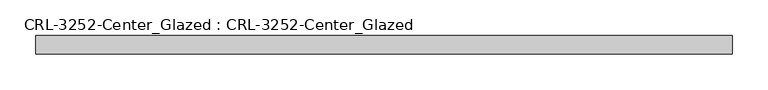
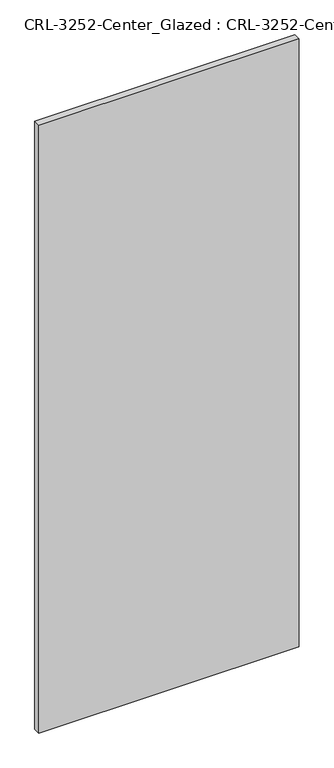
"""IFC4 building model written with IfcOpenShell, lengths in millimetres: plate geometry, CRL-3252-Center_Glazed : CRL-3252-Center_Glazed."""

from ifc_helpers import new_model, si_unit, origin, origin_with_axes, place, context, project, spatial, polyline, outline, extrude, source, transform, mapped, element, save


def crl_3252_center_glazed_crl_3252_center_glazed_36ffb9ec(model_context):
    return source(origin(), model_context, "Body", "SweptSolid", [
        extrude(outline(polyline([(486.1634092, 12.7), (486.1634092, -12.7), (-486.1634092, -12.7), (-486.1634092, 12.7), (486.1634092, 12.7)])), origin_with_axes(), (0.0, 0.0, 1.0), 2400.0002773),
    ])


if __name__ == "__main__":
    model = new_model("IFC4")
    model_context = context("Model", 3, world=origin())
    ifc_project = project(units=[si_unit("LENGTHUNIT", "METRE", prefix="MILLI")], contexts=[model_context])
    site = spatial("IfcSite", under=ifc_project)
    building = spatial("IfcBuilding", under=site)
    placement = place(None, origin())
    crl_3252_center_glazed_crl_3252_center_glazed_shape = crl_3252_center_glazed_crl_3252_center_glazed_36ffb9ec(model_context)
    element("IfcPlate", 1, ObjectType="CRL-3252-Center_Glazed : CRL-3252-Center_Glazed", at=placement, inside=building, context=model_context, shape_type="MappedRepresentation", body=[
        mapped(crl_3252_center_glazed_crl_3252_center_glazed_shape, transform((0.0, 0.0, 0.0), x_axis=(1.0, 0.0, 0.0), y_axis=(0.0, 1.0, 0.0), z_axis=(0.0, 0.0, 1.0))),
    ])
    save(model, "model.ifc")
